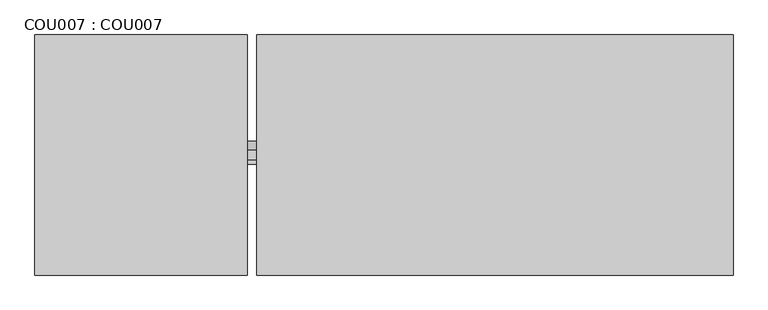
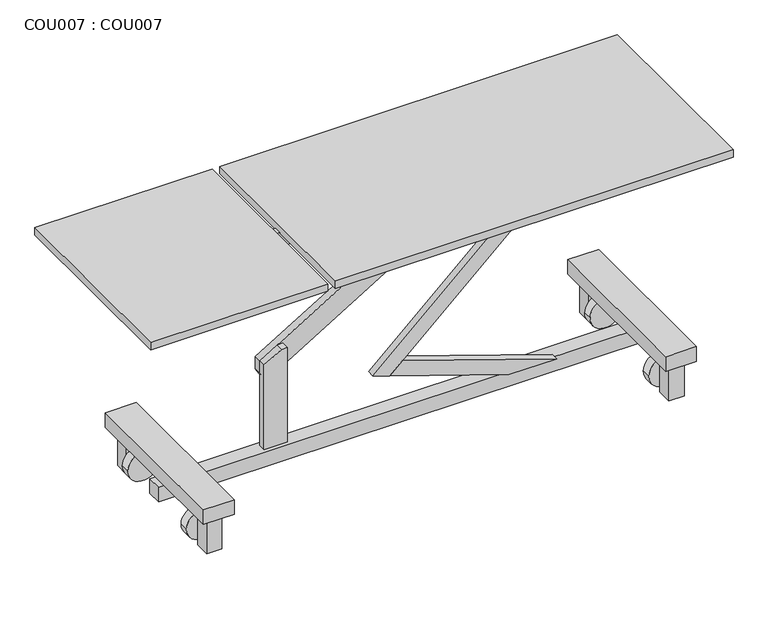
"""IFC4 building model written with IfcOpenShell, lengths in millimetres: proxy geometry, COU007 : COU007."""

from ifc_helpers import new_model, si_unit, point, frame, frame_2d, origin, origin_with_axes, place, context, project, spatial, polyline, circle_curve, trimmed, segment, composite_curve, outline, extrude, source, transform, mapped, element, save


def cou007_cou007_b5f17639(model_context):
    return source(origin(), model_context, "Body", "SweptSolid", [
        extrude(outline(polyline([(1774.9999388, -74.9999996), (1774.9999388, -125.0), (1724.9999384, -125.0), (1724.9999384, -74.9999996), (1774.9999388, -74.9999996)])), origin_with_axes(), (0.0, 0.0, 1.0), 125.000001),
        extrude(outline(polyline([(1774.9999388, -525.0000031), (1774.9999388, -575.0000034), (1724.9999384, -575.0000034), (1724.9999384, -525.0000031), (1774.9999388, -525.0000031)])), origin_with_axes(), (0.0, 0.0, 1.0), 125.000001),
        extrude(outline(polyline([(275.0000021, -75.0000006), (275.0000021, -125.000001), (225.0000017, -125.000001), (225.0000017, -75.0000006), (275.0000021, -75.0000006)])), origin_with_axes(), (0.0, 0.0, 1.0), 125.000001),
        extrude(outline(polyline([(275.0000021, -525.000004), (275.0000021, -575.0000044), (225.0000017, -575.0000044), (225.0000017, -525.000004), (275.0000021, -525.000004)])), origin_with_axes(), (0.0, 0.0, 1.0), 125.000001),
        extrude(outline(composite_curve([segment(trimmed(circle_curve(frame_2d((50.0000004, 250.0)), 10.0), [point((50.0000004, 240.0))], [point((50.0000004, 260.0))], False, "CARTESIAN"), True, "CONTINUOUS"), segment(trimmed(circle_curve(frame_2d((50.0000004, 250.0)), 10.0), [point((50.0000004, 260.0))], [point((50.0000004, 240.0))], False, "CARTESIAN"), True, "CONTINUOUS")], self_intersect=False)), frame((0.0, -525.0, 0.0), z_axis=(0.0, 1.0, 0.0), x_axis=(0.0, 0.0, 1.0)), (0.0, 0.0, 1.0), 20.0),
        extrude(outline(composite_curve([segment(trimmed(circle_curve(frame_2d((50.0000004, 1750.0)), 10.0), [point((50.0000004, 1740.0))], [point((50.0000004, 1760.0))], False, "CARTESIAN"), True, "CONTINUOUS"), segment(trimmed(circle_curve(frame_2d((50.0000004, 1750.0)), 10.0), [point((50.0000004, 1760.0))], [point((50.0000004, 1740.0))], False, "CARTESIAN"), True, "CONTINUOUS")], self_intersect=False)), frame((0.0, -525.0, 0.0), z_axis=(0.0, 1.0, 0.0), x_axis=(0.0, 0.0, 1.0)), (0.0, 0.0, 1.0), 20.0),
        extrude(outline(composite_curve([segment(trimmed(circle_curve(frame_2d((50.0000004, 250.0)), 10.0), [point((50.0000004, 240.0))], [point((50.0000004, 260.0))], False, "CARTESIAN"), True, "CONTINUOUS"), segment(trimmed(circle_curve(frame_2d((50.0000004, 250.0)), 10.0), [point((50.0000004, 260.0))], [point((50.0000004, 240.0))], False, "CARTESIAN"), True, "CONTINUOUS")], self_intersect=False)), frame((0.0, -145.0, 0.0), z_axis=(0.0, 1.0, 0.0), x_axis=(0.0, 0.0, 1.0)), (0.0, 0.0, 1.0), 20.0),
        extrude(outline(composite_curve([segment(trimmed(circle_curve(frame_2d((50.0000004, 1750.0)), 10.0), [point((50.0000004, 1740.0))], [point((50.0000004, 1760.0))], False, "CARTESIAN"), True, "CONTINUOUS"), segment(trimmed(circle_curve(frame_2d((50.0000004, 1750.0)), 10.0), [point((50.0000004, 1760.0))], [point((50.0000004, 1740.0))], False, "CARTESIAN"), True, "CONTINUOUS")], self_intersect=False)), frame((0.0, -145.0, 0.0), z_axis=(0.0, 1.0, 0.0), x_axis=(0.0, 0.0, 1.0)), (0.0, 0.0, 1.0), 20.0),
        extrude(outline(composite_curve([segment(trimmed(circle_curve(frame_2d((50.0000004, 250.0)), 50.0), [point((50.0000004, 200.0))], [point((50.0000004, 300.0))], False, "CARTESIAN"), True, "CONTINUOUS"), segment(trimmed(circle_curve(frame_2d((50.0000004, 250.0)), 50.0), [point((50.0000004, 300.0))], [point((50.0000004, 200.0))], False, "CARTESIAN"), True, "CONTINUOUS")], self_intersect=False)), frame((0.0, -505.0, 0.0), z_axis=(0.0, 1.0, 0.0), x_axis=(0.0, 0.0, 1.0)), (0.0, 0.0, 1.0), 30.0),
        extrude(outline(composite_curve([segment(trimmed(circle_curve(frame_2d((50.0000004, 1750.0000137)), 50.0), [point((50.0000004, 1700.0000137))], [point((50.0000004, 1800.0000137))], False, "CARTESIAN"), True, "CONTINUOUS"), segment(trimmed(circle_curve(frame_2d((50.0000004, 1750.0000137)), 50.0), [point((50.0000004, 1800.0000137))], [point((50.0000004, 1700.0000137))], False, "CARTESIAN"), True, "CONTINUOUS")], self_intersect=False)), frame((0.0, -505.0, 0.0), z_axis=(0.0, 1.0, 0.0), x_axis=(0.0, 0.0, 1.0)), (0.0, 0.0, 1.0), 30.0),
        extrude(outline(composite_curve([segment(trimmed(circle_curve(frame_2d((50.0000004, 250.0)), 50.0), [point((50.0000004, 200.0))], [point((50.0000004, 300.0))], False, "CARTESIAN"), True, "CONTINUOUS"), segment(trimmed(circle_curve(frame_2d((50.0000004, 250.0)), 50.0), [point((50.0000004, 300.0))], [point((50.0000004, 200.0))], False, "CARTESIAN"), True, "CONTINUOUS")], self_intersect=False)), frame((0.0, -175.0, 0.0), z_axis=(0.0, 1.0, 0.0), x_axis=(0.0, 0.0, 1.0)), (0.0, 0.0, 1.0), 30.0),
        extrude(outline(composite_curve([segment(trimmed(circle_curve(frame_2d((50.0000004, 1750.0000137)), 50.0), [point((50.0000004, 1700.0000137))], [point((50.0000004, 1800.0000137))], False, "CARTESIAN"), True, "CONTINUOUS"), segment(trimmed(circle_curve(frame_2d((50.0000004, 1750.0000137)), 50.0), [point((50.0000004, 1800.0000137))], [point((50.0000004, 1700.0000137))], False, "CARTESIAN"), True, "CONTINUOUS")], self_intersect=False)), frame((0.0, -175.0, 0.0), z_axis=(0.0, 1.0, 0.0), x_axis=(0.0, 0.0, 1.0)), (0.0, 0.0, 1.0), 30.0),
        extrude(outline(polyline([(1800.0000137, -600.0000046), (1700.000013, -600.0000046), (1700.000013, -50.0000004), (1800.0000137, -50.0000004), (1800.0000137, -600.0000046)])), frame((0.0, 0.0, 125.000001), z_axis=(0.0, 0.0, 1.0), x_axis=(1.0, 0.0, 0.0)), (0.0, 0.0, 1.0), 50.0000004),
        extrude(outline(polyline([(300.0000023, -600.0000046), (200.0000015, -600.0000046), (200.0000015, -50.0000004), (300.0000023, -50.0000004), (300.0000023, -600.0000046)])), frame((0.0, 0.0, 125.000001), z_axis=(0.0, 0.0, 1.0), x_axis=(1.0, 0.0, 0.0)), (0.0, 0.0, 1.0), 50.0000004),
        extrude(outline(composite_curve([segment(polyline([(777.3379036, 1271.2000237), (601.9180964, 1271.2000237), (601.9180964, 1346.2), (777.3379036, 1346.2)]), True, "CONTINUOUS"), segment(trimmed(circle_curve(frame_2d((777.3379036, 1308.7000118)), 37.4999882), [point((777.3379036, 1346.2))], [point((777.3379036, 1271.2000237))], True, "CARTESIAN"), True, "CONTINUOUS")], self_intersect=False)), frame((0.0, -350.0, 0.0), z_axis=(0.0, 1.0, 0.0), x_axis=(0.0, 0.0, 1.0)), (0.0, 0.0, 1.0), 25.0),
        extrude(outline(polyline([(250.2951195, 887.6004218), (231.6852702, 941.2994914), (601.9180964, 1345.2013239), (601.9180964, 1271.2000237), (250.2951195, 887.6004218)])), frame((0.0, -362.5000028, 0.0), z_axis=(0.0, 1.0, 0.0), x_axis=(0.0, 0.0, 1.0)), (0.0, 0.0, 1.0), 25.0000002),
        extrude(outline(polyline([(100.0000008, 1483.266865), (270.1971823, 983.3126752), (231.6852702, 941.2994914), (100.0000008, 1328.1249465), (100.0000008, 1483.266865)])), frame((0.0, -362.5000028, 0.0), z_axis=(0.0, 1.0, 0.0), x_axis=(0.0, 0.0, 1.0)), (0.0, 0.0, 1.0), 25.0000002),
        extrude(outline(polyline([(1800.0000137, -300.0000023), (1800.0000137, -350.0000027), (200.0000015, -350.0000027), (200.0000015, -300.0000023), (1800.0000137, -300.0000023)])), frame((0.0, 0.0, 50.0000004), z_axis=(0.0, 0.0, 1.0), x_axis=(1.0, 0.0, 0.0)), (0.0, 0.0, 1.0), 50.0000004),
        extrude(outline(polyline([(390.488163, 548.3800086), (100.0000008, 548.3800086), (100.0000008, 623.3799728), (425.0000032, 623.3799728), (425.0000032, 605.4137999), (390.488163, 548.3800086)])), frame((0.0, -337.5000026, 0.0), z_axis=(0.0, 1.0, 0.0), x_axis=(0.0, 0.0, 1.0)), (0.0, 0.0, 1.0), 25.0000002),
        extrude(outline(polyline([(602.070009, 1042.8000114), (666.1896293, 1004.00045), (390.488163, 548.3800086), (347.1090576, 548.3800086), (314.7420012, 567.9657078), (602.070009, 1042.8000114)])), frame((0.0, -312.5000024, 0.0), z_axis=(0.0, 1.0, 0.0), x_axis=(0.0, 0.0, 1.0)), (0.0, 0.0, 1.0), 25.0000002),
        extrude(outline(polyline([(777.3800205, 966.6039824), (777.3800205, 908.2944555), (621.2952294, 1001.9453785), (647.020027, 1044.820019), (777.3800205, 966.6039824)])), frame((0.0, -325.0, 0.0), z_axis=(0.0, 1.0, 0.0), x_axis=(0.0, 0.0, 1.0)), (0.0, 0.0, 1.0), 12.4999976),
        extrude(outline(composite_curve([segment(trimmed(circle_curve(frame_2d((777.38, 683.7)), 37.5), [point((777.38, 646.2))], [point((777.38, 721.2))], False, "CARTESIAN"), True, "CONTINUOUS"), segment(trimmed(circle_curve(frame_2d((777.38, 683.7)), 37.5), [point((777.38, 721.2))], [point((777.38, 646.2))], False, "CARTESIAN"), True, "CONTINUOUS")], self_intersect=False)), frame((0.0, -337.5000026, 0.0), z_axis=(0.0, 1.0, 0.0), x_axis=(0.0, 0.0, 1.0)), (0.0, 0.0, 1.0), 25.0000002),
        extrude(outline(composite_curve([segment(trimmed(circle_curve(frame_2d((777.3800205, 1308.7)), 37.5), [point((777.3800205, 1271.2))], [point((777.3800205, 1346.2))], False, "CARTESIAN"), True, "CONTINUOUS"), segment(trimmed(circle_curve(frame_2d((777.3800205, 1308.7)), 37.5), [point((777.3800205, 1346.2))], [point((777.3800205, 1271.2))], False, "CARTESIAN"), True, "CONTINUOUS")], self_intersect=False)), frame((0.0, -337.5000026, 0.0), z_axis=(0.0, 1.0, 0.0), x_axis=(0.0, 0.0, 1.0)), (0.0, 0.0, 1.0), 25.0000002),
        extrude(outline(polyline([(658.6999826, -337.5000026), (46.2000007, -337.5000026), (46.2000007, -312.5000024), (658.6999826, -312.5000024), (658.6999826, -337.5000026)])), frame((0.0, 0.0, 777.3800205), z_axis=(0.0, 0.0, 1.0), x_axis=(1.0, 0.0, 0.0)), (0.0, 0.0, 1.0), 50.0000004),
        extrude(outline(polyline([(1283.6999874, -337.5000026), (708.699983, -337.5000026), (708.699983, -312.5000024), (1283.6999874, -312.5000024), (1283.6999874, -337.5000026)])), frame((0.0, 0.0, 777.3800205), z_axis=(0.0, 0.0, 1.0), x_axis=(1.0, 0.0, 0.0)), (0.0, 0.0, 1.0), 50.0000004),
        extrude(outline(polyline([(1858.7000645, -337.5000026), (1333.6999878, -337.5000026), (1333.6999878, -312.5000024), (1858.7000645, -312.5000024), (1858.7000645, -337.5000026)])), frame((0.0, 0.0, 777.3800205), z_axis=(0.0, 0.0, 1.0), x_axis=(1.0, 0.0, 0.0)), (0.0, 0.0, 1.0), 50.0000004),
        extrude(outline(polyline([(575.0000044, -650.000005), (0.0, -650.000005), (0.0, 0.0), (575.0000044, 0.0), (575.0000044, -650.000005)])), frame((0.0, 0.0, 825.0000063), z_axis=(0.0, 0.0, 1.0), x_axis=(1.0, 0.0, 0.0)), (0.0, 0.0, 1.0), 25.0000002),
        extrude(outline(polyline([(1890.0000435, -650.000005), (600.0000046, -650.000005), (600.0000046, 0.0), (1890.0000435, 0.0), (1890.0000435, -650.000005)])), frame((0.0, 0.0, 825.0000063), z_axis=(0.0, 0.0, 1.0), x_axis=(1.0, 0.0, 0.0)), (0.0, 0.0, 1.0), 25.0000002),
    ])


if __name__ == "__main__":
    model = new_model("IFC4")
    model_context = context("Model", 3, world=origin())
    ifc_project = project(units=[si_unit("LENGTHUNIT", "METRE", prefix="MILLI")], contexts=[model_context])
    site = spatial("IfcSite", under=ifc_project)
    building = spatial("IfcBuilding", under=site)
    placement = place(None, origin())
    cou007_cou007_shape = cou007_cou007_b5f17639(model_context)
    element("IfcBuildingElementProxy", 1, Name="COU007 : COU007", ObjectType="COU007 : COU007", at=placement, inside=building, context=model_context, shape_type="MappedRepresentation", body=[
        mapped(cou007_cou007_shape, transform((0.0, 0.0, 0.0), x_axis=(1.0, 0.0, 0.0), y_axis=(0.0, 1.0, 0.0), z_axis=(0.0, 0.0, 1.0))),
    ])
    save(model, "model.ifc")
